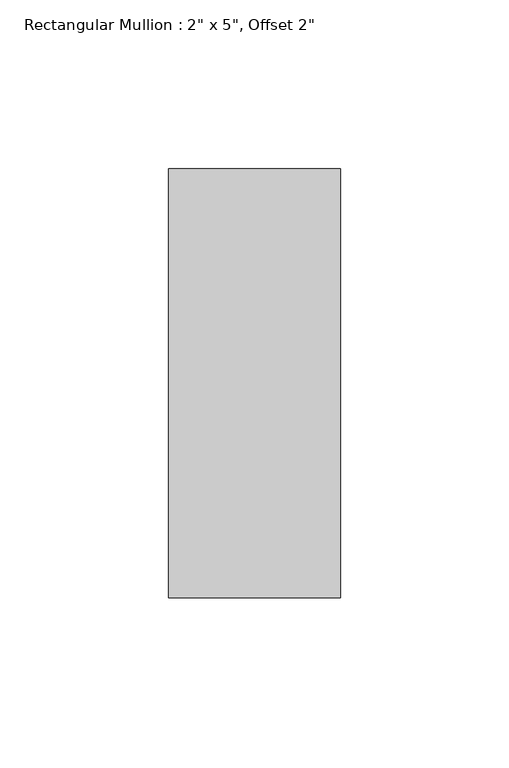
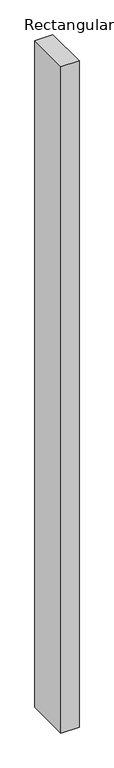
"""IFC4 building model written with IfcOpenShell, lengths in millimetres: member geometry."""

import ifcopenshell
import ifcopenshell.guid

model = None  # the IFC model being written
_history = None  # IfcOwnerHistory: only IFC2X3 demands one
_inside = {}  # id of a spatial element -> (the spatial element, [elements in it])
_under = {}  # id of a project, library or spatial element -> (it, [spatial elements below it])
_declared = {}  # id of a project -> (the project, [libraries it declares])
_typed = {}  # id of a type object -> (the type object, [elements of that type])
_made_of = {}  # id of a material, layer set ... -> (it, [elements and type objects made of it])


def new_model(schema):
    """Start an empty IFC model of exactly this schema.

    Asked for "IFC4X3", IfcOpenShell would pick the latest addendum, in which some entities
    have other attributes; the version numbers below select the first issue.
    IFC2X3 requires an IfcOwnerHistory on every rooted entity: one is made here for all.
    """
    global model, _history
    if schema == "IFC4X3":
        model = ifcopenshell.file(schema_version=(4, 3, 0, 0))
    else:
        model = ifcopenshell.file(schema=schema)
    _inside.clear()
    _under.clear()
    _declared.clear()
    _typed.clear()
    _made_of.clear()
    _history = None
    if model.schema == "IFC2X3":
        org = make("IfcOrganization", Name="unknown")
        user = make(
            "IfcPersonAndOrganization",
            ThePerson=make("IfcPerson", FamilyName="unknown"),
            TheOrganization=org,
        )
        app = make(
            "IfcApplication",
            ApplicationDeveloper=org,
            Version="unknown",
            ApplicationFullName="unknown",
            ApplicationIdentifier="unknown",
        )
        _history = make(
            "IfcOwnerHistory",
            OwningUser=user,
            OwningApplication=app,
            ChangeAction="ADDED",
            CreationDate=0,
        )
    return model


def make(cls, **values):
    """One entity of the class cls with the attributes given. An attribute that is None is left unset."""
    return model.create_entity(
        cls, **{name: value for name, value in values.items() if value is not None}
    )


def rooted(cls, **values):
    """An entity with a GlobalId (a new one), such as an element, a storey or a relation."""
    return make(cls, GlobalId=ifcopenshell.guid.new(), OwnerHistory=_history, **values)


def si_unit(unit_type, name, prefix=None):
    """IfcSIUnit, for example si_unit("LENGTHUNIT", "METRE", prefix="MILLI")."""
    return make("IfcSIUnit", UnitType=unit_type, Prefix=prefix, Name=name)


def assignment(units):
    """IfcUnitAssignment: the units of a project."""
    return None if units is None else make("IfcUnitAssignment", Units=units)


def point(xyz):
    """IfcCartesianPoint."""
    return None if xyz is None else make("IfcCartesianPoint", Coordinates=xyz)


def direction(xyz):
    """IfcDirection."""
    return None if xyz is None else make("IfcDirection", DirectionRatios=xyz)


def frame(location, z_axis=None, x_axis=None):
    """IfcAxis2Placement3D, a coordinate frame: its origin and axes. An axis left out is left unset."""
    return make(
        "IfcAxis2Placement3D",
        Location=point(location),
        Axis=direction(z_axis),
        RefDirection=direction(x_axis),
    )


def origin():
    """The frame at (0, 0, 0) with its axes left unset."""
    return frame((0.0, 0.0, 0.0))


def place(relative_to, where):
    """IfcLocalPlacement: puts the frame where relative to a parent placement (None: the world)."""
    return make(
        "IfcLocalPlacement", PlacementRelTo=relative_to, RelativePlacement=where
    )


def context(
    kind, dimensions, precision=None, world=None, true_north=None, identifier=None
):
    """IfcGeometricRepresentationContext, for example the 3D "Model" context."""
    return make(
        "IfcGeometricRepresentationContext",
        ContextIdentifier=identifier,
        ContextType=kind,
        CoordinateSpaceDimension=dimensions,
        Precision=precision,
        WorldCoordinateSystem=world,
        TrueNorth=true_north,
    )


def project(units=None, contexts=None):
    """IfcProject with its units and contexts."""
    return rooted(
        "IfcProject",
        Name="project",
        RepresentationContexts=contexts,
        UnitsInContext=assignment(units),
    )


def spatial(cls, under=None, at=None, **own):
    """A site, building, storey or space (cls), placed at a placement, below another one or the project."""
    s = rooted(cls, ObjectPlacement=at, **own)
    if under is not None:
        _under.setdefault(under.id(), (under, []))[1].append(s)
    return s


def polyline(points):
    """IfcPolyline through the points."""
    return make("IfcPolyline", Points=[point(p) for p in points])


def outline(outer, holes=None, kind="AREA"):
    """IfcArbitraryClosedProfileDef: a profile drawn as a closed curve; with holes, ...WithVoids."""
    if holes is None:
        return make("IfcArbitraryClosedProfileDef", ProfileType=kind, OuterCurve=outer)
    return make(
        "IfcArbitraryProfileDefWithVoids",
        ProfileType=kind,
        OuterCurve=outer,
        InnerCurves=holes,
    )


def extrude(swept, where, along, depth):
    """IfcExtrudedAreaSolid: the profile swept, set in the frame where, extruded along a direction by depth."""
    return make(
        "IfcExtrudedAreaSolid",
        SweptArea=swept,
        Position=where,
        ExtrudedDirection=direction(along),
        Depth=depth,
    )


def shape(context_of_items, identifier, shape_type, items):
    """IfcShapeRepresentation: the items that make up one representation, for example the "Body"."""
    return make(
        "IfcShapeRepresentation",
        ContextOfItems=context_of_items,
        RepresentationIdentifier=identifier,
        RepresentationType=shape_type,
        Items=items,
    )


def source(mapping_origin, context_of_items, identifier, shape_type, items):
    """IfcRepresentationMap: a shape defined once, which mapped items show again and again."""
    return make(
        "IfcRepresentationMap",
        MappingOrigin=mapping_origin,
        MappedRepresentation=shape(context_of_items, identifier, shape_type, items),
    )


def transform(
    local_origin,
    x_axis=None,
    y_axis=None,
    z_axis=None,
    scale=None,
    scale2=None,
    scale3=None,
    uniform=True,
):
    """IfcCartesianTransformationOperator3D, or its non-uniform kind. x_axis, y_axis, z_axis: its Axis1, 2, 3."""
    if uniform:
        return make(
            "IfcCartesianTransformationOperator3D",
            Axis1=direction(x_axis),
            Axis2=direction(y_axis),
            LocalOrigin=point(local_origin),
            Scale=scale,
            Axis3=direction(z_axis),
        )
    return make(
        "IfcCartesianTransformationOperator3DnonUniform",
        Axis1=direction(x_axis),
        Axis2=direction(y_axis),
        LocalOrigin=point(local_origin),
        Scale=scale,
        Axis3=direction(z_axis),
        Scale2=scale2,
        Scale3=scale3,
    )


def mapped(mapping_source, mapping_target):
    """IfcMappedItem: shows the shape of a source again, moved by a transform."""
    return make(
        "IfcMappedItem", MappingSource=mapping_source, MappingTarget=mapping_target
    )


def made_of(thing, what):
    """Note that an element or type object is made of a material, layer set ...; save() writes the relation."""
    if what is not None:
        _made_of.setdefault(what.id(), (what, []))[1].append(thing)
    return thing


def element(
    cls,
    number,
    at=None,
    inside=None,
    cuts=None,
    type_object=None,
    material=None,
    context=None,
    identifier="Body",
    shape_type=None,
    held_by="IfcProductDefinitionShape",
    body=None,
    shapes=None,
    **own,
):
    """One element of the class cls, such as IfcWall. Its Tag is "e" and its number.

    at: its placement. inside: the storey or other place that contains it. cuts: it is an
    opening in that element (IfcRelVoidsElement). A single representation is given by context,
    identifier, shape_type and body (its items); several are given by shapes. held_by: the class
    of the entity that holds the representations. save() writes the other relations.
    """
    e = rooted(cls, Tag="e%d" % number, ObjectPlacement=at, **own)
    if body is not None:
        shapes = [shape(context, identifier, shape_type, body)]
    if shapes is not None:
        e.Representation = make(held_by, Representations=shapes)
    if inside is not None:
        _inside.setdefault(inside.id(), (inside, []))[1].append(e)
    if cuts is not None:
        rooted(
            "IfcRelVoidsElement", RelatingBuildingElement=cuts, RelatedOpeningElement=e
        )
    if type_object is not None:
        _typed.setdefault(type_object.id(), (type_object, []))[1].append(e)
    return made_of(e, material)


def aggregate(whole, parts):
    """IfcRelAggregates: a whole, such as a stair, and the parts it consists of."""
    return rooted("IfcRelAggregates", RelatingObject=whole, RelatedObjects=parts)


def save(model, path):
    """Write the relations noted so far, then the file.

    IfcRelAggregates (storeys below a building ...), IfcRelContainedInSpatialStructure (elements
    in a storey), IfcRelDefinesByType, IfcRelAssociatesMaterial and IfcRelDeclares: one each for
    every whole, place, type object, material and project.
    """
    for whole, parts in _under.values():
        aggregate(whole, parts)
    for where, things in _inside.values():
        rooted(
            "IfcRelContainedInSpatialStructure",
            RelatedElements=things,
            RelatingStructure=where,
        )
    for kind, things in _typed.values():
        rooted("IfcRelDefinesByType", RelatedObjects=things, RelatingType=kind)
    for what, things in _made_of.values():
        rooted("IfcRelAssociatesMaterial", RelatedObjects=things, RelatingMaterial=what)
    for by, libraries in _declared.values():
        rooted("IfcRelDeclares", RelatingContext=by, RelatedDefinitions=libraries)
    model.write(path)


def member_08ad8449(model_context):
    return source(origin(), model_context, "Body", "SweptSolid", [
        extrude(outline(polyline([(0.0, 12.7), (0.0, -114.3), (-50.8, -114.3), (-50.8, 12.7), (0.0, 12.7)])), frame((0.0, 0.0, -1981.2), z_axis=(0.0, 0.0, 1.0), x_axis=(1.0, 0.0, 0.0)), (0.0, 0.0, 1.0), 1981.2),
    ])


if __name__ == "__main__":
    model = new_model("IFC4")
    model_context = context("Model", 3, world=origin())
    ifc_project = project(units=[si_unit("LENGTHUNIT", "METRE", prefix="MILLI")], contexts=[model_context])
    site = spatial("IfcSite", under=ifc_project)
    building = spatial("IfcBuilding", under=site)
    placement = place(None, origin())
    member_shape = member_08ad8449(model_context)
    element("IfcMember", 1, ObjectType="Rectangular Mullion : 2\" x 5\", Offset 2\"", at=placement, inside=building, context=model_context, shape_type="MappedRepresentation", body=[
        mapped(member_shape, transform((0.0, 0.0, 0.0), x_axis=(1.0, 0.0, 0.0), y_axis=(0.0, 1.0, 0.0), z_axis=(0.0, 0.0, 1.0))),
    ])
    save(model, "model.ifc")
